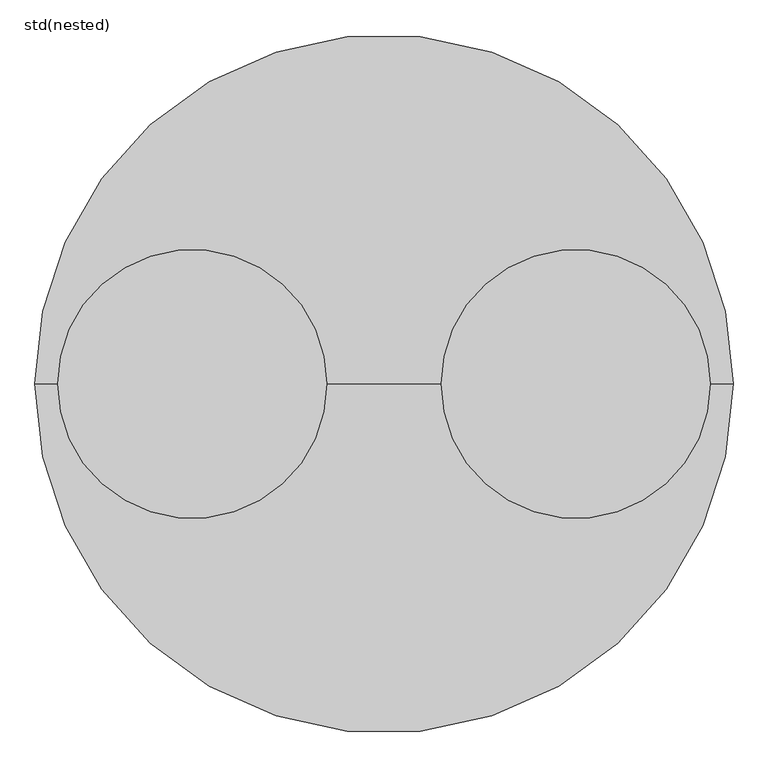
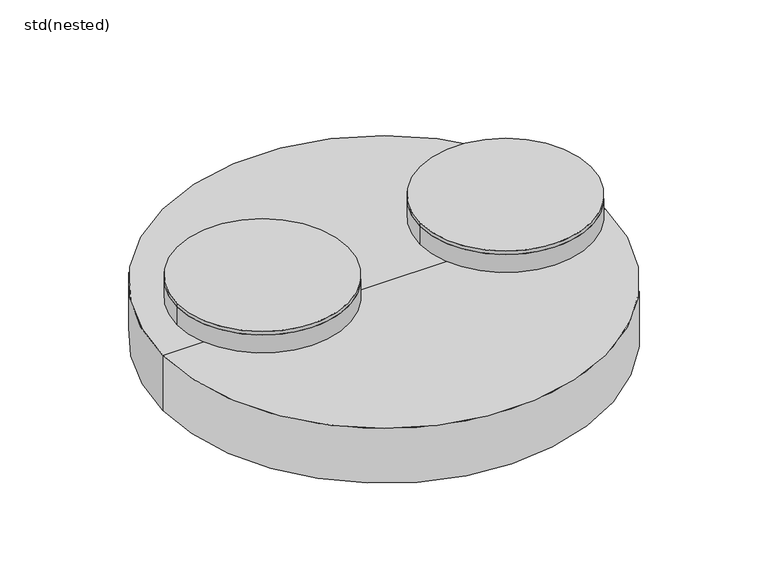
"""IFC4 building model written with IfcOpenShell, lengths in millimetres: unitary equipment geometry, std(nested)."""

from ifc_helpers import new_model, si_unit, point, frame, frame_2d, origin, place, context, project, spatial, polyline, circle_curve, trimmed, segment, composite_curve, outline, extrude, source, transform, mapped, element, save
from ifc_brep_helpers import plane_surface, cylinder_surface, revolved_surface, advanced_brep


def std_nested_596f6d60(model_context):
    return source(origin(), model_context, "Body", "SolidModel", [
        extrude(outline(composite_curve([segment(trimmed(circle_curve(frame_2d((-670.0, 0.0)), 470.0), [point((-1140.0, 0.0))], [point((-200.0, 0.0))], False, "CARTESIAN"), True, "CONTINUOUS"), segment(trimmed(circle_curve(frame_2d((-670.0, 0.0)), 470.0), [point((-200.0, 0.0))], [point((-1140.0, 0.0))], False, "CARTESIAN"), True, "CONTINUOUS")], self_intersect=False)), frame((0.0, 0.0, -20.0), z_axis=(0.0, 0.0, 1.0), x_axis=(1.0, 0.0, 0.0)), (0.0, 0.0, 1.0), 20.0),
        extrude(outline(composite_curve([segment(trimmed(circle_curve(frame_2d((-670.0, 0.0)), 470.0), [point((-1140.0, 0.0))], [point((-200.0, 0.0))], False, "CARTESIAN"), True, "CONTINUOUS"), segment(trimmed(circle_curve(frame_2d((-670.0, 0.0)), 470.0), [point((-200.0, 0.0))], [point((-1140.0, 0.0))], False, "CARTESIAN"), True, "CONTINUOUS")], self_intersect=False)), frame((0.0, 0.0, -125.0), z_axis=(0.0, 0.0, 1.0), x_axis=(1.0, 0.0, 0.0)), (0.0, 0.0, 1.0), 105.0),
        extrude(outline(composite_curve([segment(trimmed(circle_curve(frame_2d((670.0, 0.0)), 470.0), [point((200.0, 0.0))], [point((1140.0, 0.0))], False, "CARTESIAN"), True, "CONTINUOUS"), segment(trimmed(circle_curve(frame_2d((670.0, 0.0)), 470.0), [point((1140.0, 0.0))], [point((200.0, 0.0))], False, "CARTESIAN"), True, "CONTINUOUS")], self_intersect=False)), frame((0.0, 0.0, -20.0), z_axis=(0.0, 0.0, 1.0), x_axis=(1.0, 0.0, 0.0)), (0.0, 0.0, 1.0), 20.0),
        extrude(outline(composite_curve([segment(trimmed(circle_curve(frame_2d((670.0, 0.0)), 470.0), [point((200.0, 0.0))], [point((1140.0, 0.0))], False, "CARTESIAN"), True, "CONTINUOUS"), segment(trimmed(circle_curve(frame_2d((670.0, 0.0)), 470.0), [point((1140.0, 0.0))], [point((200.0, 0.0))], False, "CARTESIAN"), True, "CONTINUOUS")], self_intersect=False)), frame((0.0, 0.0, -125.0), z_axis=(0.0, 0.0, 1.0), x_axis=(1.0, 0.0, 0.0)), (0.0, 0.0, 1.0), 105.0),
        advanced_brep(
        [(1220.0, 0.0, -275.0), (-1220.0, 0.0, -275.0), (0.0, 0.0, -275.0), (1220.0, 0.0, -595.0), (-1220.0, 0.0, -595.0), (1160.0, 0.0, -595.0), (-1160.0, 0.0, -595.0), (1160.0, 0.0, -515.0), (-1160.0, 0.0, -515.0), (0.0, 0.0, -515.0)],
        [
            (0, 1, circle_curve(frame((0.0, 0.0, -275.0), z_axis=(0.0, 0.0, 1.0), x_axis=(-1.0, 0.0, 0.0)), 1220.0)),
            (1, 2),
            (2, 0),
            (1, 0, circle_curve(frame((0.0, 0.0, -275.0), z_axis=(0.0, 0.0, 1.0), x_axis=(-1.0, 0.0, 0.0)), 1220.0)),
            (3, 4, circle_curve(frame((0.0, 0.0, -595.0), z_axis=(0.0, 0.0, 1.0), x_axis=(-1.0, 0.0, 0.0)), 1220.0)),
            (4, 1),
            (0, 3),
            (4, 3, circle_curve(frame((0.0, 0.0, -595.0), z_axis=(0.0, 0.0, 1.0), x_axis=(-1.0, 0.0, 0.0)), 1220.0)),
            (5, 6, circle_curve(frame((0.0, 0.0, -595.0), z_axis=(0.0, 0.0, 1.0), x_axis=(-1.0, 0.0, 0.0)), 1160.0)),
            (6, 4),
            (3, 5),
            (6, 5, circle_curve(frame((0.0, 0.0, -595.0), z_axis=(0.0, 0.0, 1.0), x_axis=(-1.0, 0.0, 0.0)), 1160.0)),
            (7, 8, circle_curve(frame((0.0, 0.0, -515.0), z_axis=(0.0, 0.0, 1.0), x_axis=(-1.0, 0.0, 0.0)), 1160.0)),
            (8, 6),
            (5, 7),
            (8, 7, circle_curve(frame((0.0, 0.0, -515.0), z_axis=(0.0, 0.0, 1.0), x_axis=(-1.0, 0.0, 0.0)), 1160.0)),
            (9, 8),
            (7, 9),
        ],
        [
            plane_surface(frame((0.0, 0.0, -275.0), z_axis=(0.0, 0.0, 1.0), x_axis=(-1.0, 0.0, 0.0))),
            cylinder_surface(frame((0.0, 0.0, -260.0), z_axis=(0.0, 0.0, -1.0), x_axis=(-1.0, 0.0, 0.0)), 1220.0),
            plane_surface(frame((0.0, 0.0, -595.0), z_axis=(0.0, 0.0, -1.0), x_axis=(-1.0, 0.0, 0.0))),
            revolved_surface(polyline([(-1160.0, 0.0, -595.0), (-1160.0, 0.0, -515.0)]), (0.0, 0.0, -260.0), (0.0, 0.0, -1.0)),
            plane_surface(frame((0.0, 0.0, -515.0), z_axis=(0.0, 0.0, -1.0), x_axis=(-1.0, 0.0, 0.0))),
        ],
        [
            (0, [[1, 2, 3]]),
            (0, [[4, -3, -2]]),
            (1, [[5, 6, -1, 7]]),
            (1, [[8, -7, -4, -6]]),
            (2, [[9, 10, -5, 11]]),
            (2, [[12, -11, -8, -10]]),
            (3, [[13, 14, -9, 15]]),
            (3, [[16, -15, -12, -14]]),
            (4, [[17, -13, 18]]),
            (4, [[-18, -16, -17]]),
        ],
    ),
    ])


if __name__ == "__main__":
    model = new_model("IFC4")
    model_context = context("Model", 3, world=origin())
    ifc_project = project(units=[si_unit("LENGTHUNIT", "METRE", prefix="MILLI")], contexts=[model_context])
    site = spatial("IfcSite", under=ifc_project)
    building = spatial("IfcBuilding", under=site)
    placement = place(None, origin())
    std_nested_shape = std_nested_596f6d60(model_context)
    element("IfcUnitaryEquipment", 1, ObjectType="std(nested)", at=placement, inside=building, context=model_context, shape_type="MappedRepresentation", body=[
        mapped(std_nested_shape, transform((0.0, 0.0, 0.0), x_axis=(1.0, 0.0, 0.0), y_axis=(0.0, 1.0, 0.0), z_axis=(0.0, 0.0, 1.0))),
    ])
    save(model, "model.ifc")
